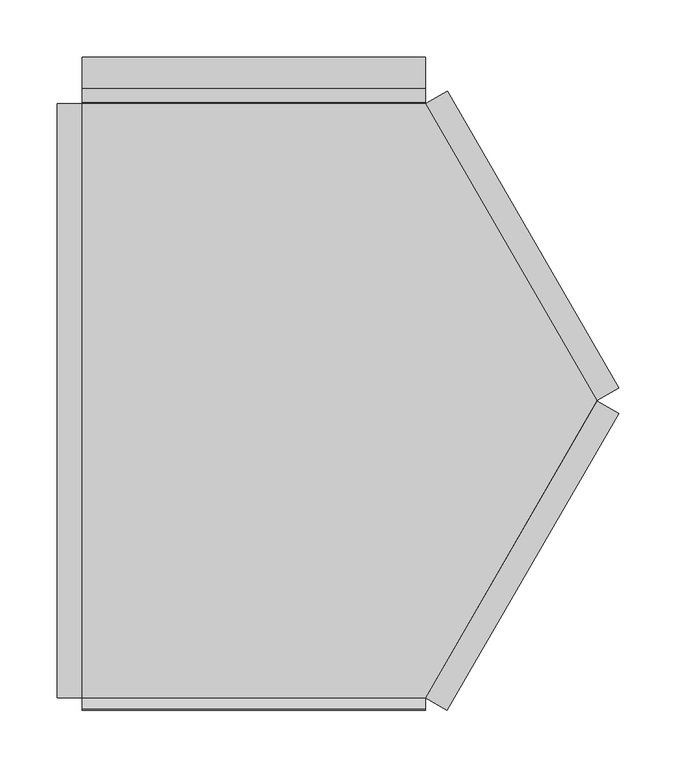
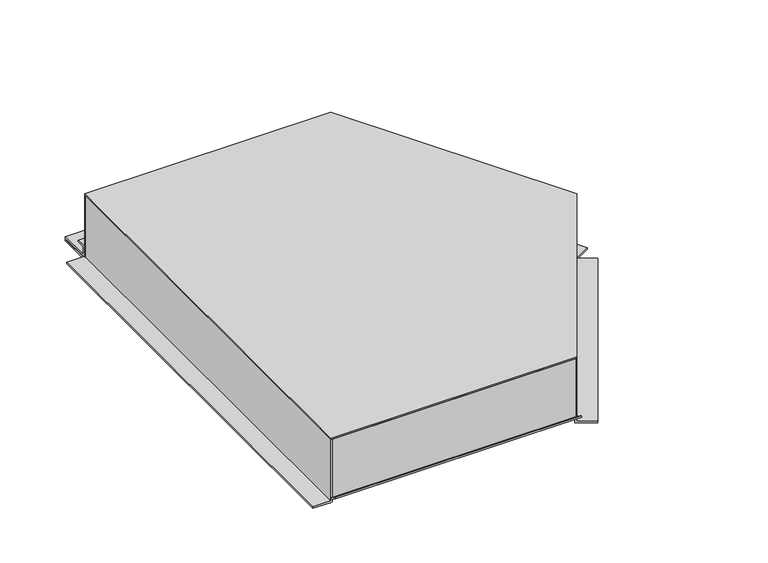
"""IFC4 building model written with IfcOpenShell, lengths in millimetres: proxy geometry."""

import ifcopenshell
import ifcopenshell.guid

model = None  # the IFC model being written
_history = None  # IfcOwnerHistory: only IFC2X3 demands one
_inside = {}  # id of a spatial element -> (the spatial element, [elements in it])
_under = {}  # id of a project, library or spatial element -> (it, [spatial elements below it])
_declared = {}  # id of a project -> (the project, [libraries it declares])
_typed = {}  # id of a type object -> (the type object, [elements of that type])
_made_of = {}  # id of a material, layer set ... -> (it, [elements and type objects made of it])


def new_model(schema):
    """Start an empty IFC model of exactly this schema.

    Asked for "IFC4X3", IfcOpenShell would pick the latest addendum, in which some entities
    have other attributes; the version numbers below select the first issue.
    IFC2X3 requires an IfcOwnerHistory on every rooted entity: one is made here for all.
    """
    global model, _history
    if schema == "IFC4X3":
        model = ifcopenshell.file(schema_version=(4, 3, 0, 0))
    else:
        model = ifcopenshell.file(schema=schema)
    _inside.clear()
    _under.clear()
    _declared.clear()
    _typed.clear()
    _made_of.clear()
    _history = None
    if model.schema == "IFC2X3":
        org = make("IfcOrganization", Name="unknown")
        user = make(
            "IfcPersonAndOrganization",
            ThePerson=make("IfcPerson", FamilyName="unknown"),
            TheOrganization=org,
        )
        app = make(
            "IfcApplication",
            ApplicationDeveloper=org,
            Version="unknown",
            ApplicationFullName="unknown",
            ApplicationIdentifier="unknown",
        )
        _history = make(
            "IfcOwnerHistory",
            OwningUser=user,
            OwningApplication=app,
            ChangeAction="ADDED",
            CreationDate=0,
        )
    return model


def make(cls, **values):
    """One entity of the class cls with the attributes given. An attribute that is None is left unset."""
    return model.create_entity(
        cls, **{name: value for name, value in values.items() if value is not None}
    )


def rooted(cls, **values):
    """An entity with a GlobalId (a new one), such as an element, a storey or a relation."""
    return make(cls, GlobalId=ifcopenshell.guid.new(), OwnerHistory=_history, **values)


def si_unit(unit_type, name, prefix=None):
    """IfcSIUnit, for example si_unit("LENGTHUNIT", "METRE", prefix="MILLI")."""
    return make("IfcSIUnit", UnitType=unit_type, Prefix=prefix, Name=name)


def assignment(units):
    """IfcUnitAssignment: the units of a project."""
    return None if units is None else make("IfcUnitAssignment", Units=units)


def point(xyz):
    """IfcCartesianPoint."""
    return None if xyz is None else make("IfcCartesianPoint", Coordinates=xyz)


def direction(xyz):
    """IfcDirection."""
    return None if xyz is None else make("IfcDirection", DirectionRatios=xyz)


def frame(location, z_axis=None, x_axis=None):
    """IfcAxis2Placement3D, a coordinate frame: its origin and axes. An axis left out is left unset."""
    return make(
        "IfcAxis2Placement3D",
        Location=point(location),
        Axis=direction(z_axis),
        RefDirection=direction(x_axis),
    )


def origin():
    """The frame at (0, 0, 0) with its axes left unset."""
    return frame((0.0, 0.0, 0.0))


def place(relative_to, where):
    """IfcLocalPlacement: puts the frame where relative to a parent placement (None: the world)."""
    return make(
        "IfcLocalPlacement", PlacementRelTo=relative_to, RelativePlacement=where
    )


def context(
    kind, dimensions, precision=None, world=None, true_north=None, identifier=None
):
    """IfcGeometricRepresentationContext, for example the 3D "Model" context."""
    return make(
        "IfcGeometricRepresentationContext",
        ContextIdentifier=identifier,
        ContextType=kind,
        CoordinateSpaceDimension=dimensions,
        Precision=precision,
        WorldCoordinateSystem=world,
        TrueNorth=true_north,
    )


def project(units=None, contexts=None):
    """IfcProject with its units and contexts."""
    return rooted(
        "IfcProject",
        Name="project",
        RepresentationContexts=contexts,
        UnitsInContext=assignment(units),
    )


def spatial(cls, under=None, at=None, **own):
    """A site, building, storey or space (cls), placed at a placement, below another one or the project."""
    s = rooted(cls, ObjectPlacement=at, **own)
    if under is not None:
        _under.setdefault(under.id(), (under, []))[1].append(s)
    return s


def polyline(points):
    """IfcPolyline through the points."""
    return make("IfcPolyline", Points=[point(p) for p in points])


def outline(outer, holes=None, kind="AREA"):
    """IfcArbitraryClosedProfileDef: a profile drawn as a closed curve; with holes, ...WithVoids."""
    if holes is None:
        return make("IfcArbitraryClosedProfileDef", ProfileType=kind, OuterCurve=outer)
    return make(
        "IfcArbitraryProfileDefWithVoids",
        ProfileType=kind,
        OuterCurve=outer,
        InnerCurves=holes,
    )


def extrude(swept, where, along, depth):
    """IfcExtrudedAreaSolid: the profile swept, set in the frame where, extruded along a direction by depth."""
    return make(
        "IfcExtrudedAreaSolid",
        SweptArea=swept,
        Position=where,
        ExtrudedDirection=direction(along),
        Depth=depth,
    )


def shape(context_of_items, identifier, shape_type, items):
    """IfcShapeRepresentation: the items that make up one representation, for example the "Body"."""
    return make(
        "IfcShapeRepresentation",
        ContextOfItems=context_of_items,
        RepresentationIdentifier=identifier,
        RepresentationType=shape_type,
        Items=items,
    )


def source(mapping_origin, context_of_items, identifier, shape_type, items):
    """IfcRepresentationMap: a shape defined once, which mapped items show again and again."""
    return make(
        "IfcRepresentationMap",
        MappingOrigin=mapping_origin,
        MappedRepresentation=shape(context_of_items, identifier, shape_type, items),
    )


def transform(
    local_origin,
    x_axis=None,
    y_axis=None,
    z_axis=None,
    scale=None,
    scale2=None,
    scale3=None,
    uniform=True,
):
    """IfcCartesianTransformationOperator3D, or its non-uniform kind. x_axis, y_axis, z_axis: its Axis1, 2, 3."""
    if uniform:
        return make(
            "IfcCartesianTransformationOperator3D",
            Axis1=direction(x_axis),
            Axis2=direction(y_axis),
            LocalOrigin=point(local_origin),
            Scale=scale,
            Axis3=direction(z_axis),
        )
    return make(
        "IfcCartesianTransformationOperator3DnonUniform",
        Axis1=direction(x_axis),
        Axis2=direction(y_axis),
        LocalOrigin=point(local_origin),
        Scale=scale,
        Axis3=direction(z_axis),
        Scale2=scale2,
        Scale3=scale3,
    )


def mapped(mapping_source, mapping_target):
    """IfcMappedItem: shows the shape of a source again, moved by a transform."""
    return make(
        "IfcMappedItem", MappingSource=mapping_source, MappingTarget=mapping_target
    )


def made_of(thing, what):
    """Note that an element or type object is made of a material, layer set ...; save() writes the relation."""
    if what is not None:
        _made_of.setdefault(what.id(), (what, []))[1].append(thing)
    return thing


def element(
    cls,
    number,
    at=None,
    inside=None,
    cuts=None,
    type_object=None,
    material=None,
    context=None,
    identifier="Body",
    shape_type=None,
    held_by="IfcProductDefinitionShape",
    body=None,
    shapes=None,
    **own,
):
    """One element of the class cls, such as IfcWall. Its Tag is "e" and its number.

    at: its placement. inside: the storey or other place that contains it. cuts: it is an
    opening in that element (IfcRelVoidsElement). A single representation is given by context,
    identifier, shape_type and body (its items); several are given by shapes. held_by: the class
    of the entity that holds the representations. save() writes the other relations.
    """
    e = rooted(cls, Tag="e%d" % number, ObjectPlacement=at, **own)
    if body is not None:
        shapes = [shape(context, identifier, shape_type, body)]
    if shapes is not None:
        e.Representation = make(held_by, Representations=shapes)
    if inside is not None:
        _inside.setdefault(inside.id(), (inside, []))[1].append(e)
    if cuts is not None:
        rooted(
            "IfcRelVoidsElement", RelatingBuildingElement=cuts, RelatedOpeningElement=e
        )
    if type_object is not None:
        _typed.setdefault(type_object.id(), (type_object, []))[1].append(e)
    return made_of(e, material)


def aggregate(whole, parts):
    """IfcRelAggregates: a whole, such as a stair, and the parts it consists of."""
    return rooted("IfcRelAggregates", RelatingObject=whole, RelatedObjects=parts)


def save(model, path):
    """Write the relations noted so far, then the file.

    IfcRelAggregates (storeys below a building ...), IfcRelContainedInSpatialStructure (elements
    in a storey), IfcRelDefinesByType, IfcRelAssociatesMaterial and IfcRelDeclares: one each for
    every whole, place, type object, material and project.
    """
    for whole, parts in _under.values():
        aggregate(whole, parts)
    for where, things in _inside.values():
        rooted(
            "IfcRelContainedInSpatialStructure",
            RelatedElements=things,
            RelatingStructure=where,
        )
    for kind, things in _typed.values():
        rooted("IfcRelDefinesByType", RelatedObjects=things, RelatingType=kind)
    for what, things in _made_of.values():
        rooted("IfcRelAssociatesMaterial", RelatedObjects=things, RelatingMaterial=what)
    for by, libraries in _declared.values():
        rooted("IfcRelDeclares", RelatingContext=by, RelatedDefinitions=libraries)
    model.write(path)


def generic_models_06161c1b(model_context):
    return source(origin(), model_context, "Body", "SweptSolid", [
        extrude(outline(polyline([(83.0, 0.0), (4.2, 0.0), (4.2, -22.0), (2.2, -22.0), (2.2, 0.0), (2.2, 2.0), (83.0, 2.0), (83.0, 0.0)])), frame((0.0, -259.8720565, 0.0), z_axis=(0.0, 1.0, 0.0), x_axis=(0.0, 0.0, 1.0)), (0.0, 0.0, 1.0), 520.0),
        extrude(outline(polyline([(0.0, 0.0), (2.0, 0.0), (2.0, -83.0), (0.0, -83.0), (-22.0, -83.0), (-22.0, -81.0), (0.0, -81.0), (0.0, 0.0)])), frame((300.221605, -259.8692766, 83.0), z_axis=(0.49999732699886035, 0.8660269470368661, 0.0), x_axis=(-0.8660269470368661, 0.49999732699886035, 0.0)), (0.0, 0.0, 1.0), 300.0),
        extrude(outline(polyline([(0.0, 0.0), (2.0, 0.0), (2.0, -83.0), (0.0, -83.0), (-22.0, -83.0), (-22.0, -81.0), (0.0, -81.0), (0.0, 0.0)])), frame((450.331605, 0.1251636, 83.0), z_axis=(-0.49999732699885696, 0.866026947036868, 0.0), x_axis=(-0.866026947036868, -0.49999732699885696, 0.0)), (0.0, 0.0, 1.0), 300.0),
        extrude(outline(polyline([(258.1279435, 83.0), (260.1279435, 83.0), (260.1279435, 2.0), (298.6279435, 2.0), (298.6279435, 3.0), (261.1279435, 3.0), (261.1279435, 17.1), (272.9279435, 17.1), (272.9279435, 15.1), (263.1279435, 15.1), (263.1279435, 5.0), (300.6279435, 5.0), (300.6279435, 0.0), (258.1279435, 0.0), (258.1279435, 83.0)])), frame((0.0, 0.0, 0.0), z_axis=(1.0, 0.0, 0.0), x_axis=(0.0, 1.0, 0.0)), (0.0, 0.0, 1.0), 300.22),
        extrude(outline(polyline([(-259.8720565, 8.1635024), (-259.8720565, 83.0), (-257.8720565, 83.0), (-257.8720565, 5.6), (-259.6980026, 5.6), (-270.8681718, 13.4221074), (-269.7209529, 15.0603652), (-259.8720565, 8.1635024)])), frame((0.0, 0.0, 0.0), z_axis=(1.0, 0.0, 0.0), x_axis=(0.0, 1.0, 0.0)), (0.0, 0.0, 1.0), 300.22),
        extrude(outline(polyline([(0.0, 260.1279435), (300.22, 260.1279435), (450.33, 0.1279435), (300.22, -259.8720565), (0.0, -259.8720565), (0.0, 260.1279435)])), frame((0.0, 0.0, 83.0), z_axis=(0.0, 0.0, 1.0), x_axis=(1.0, 0.0, 0.0)), (0.0, 0.0, 1.0), 2.0),
    ])


if __name__ == "__main__":
    model = new_model("IFC4")
    model_context = context("Model", 3, world=origin())
    ifc_project = project(units=[si_unit("LENGTHUNIT", "METRE", prefix="MILLI")], contexts=[model_context])
    site = spatial("IfcSite", under=ifc_project)
    building = spatial("IfcBuilding", under=site)
    placement = place(None, origin())
    generic_models_shape = generic_models_06161c1b(model_context)
    element("IfcBuildingElementProxy", 1, Name="Generic Models", at=placement, inside=building, context=model_context, shape_type="MappedRepresentation", body=[
        mapped(generic_models_shape, transform((0.0, 0.0, 0.0), x_axis=(1.0, 0.0, 0.0), y_axis=(0.0, 1.0, 0.0), z_axis=(0.0, 0.0, 1.0))),
    ])
    save(model, "model.ifc")
